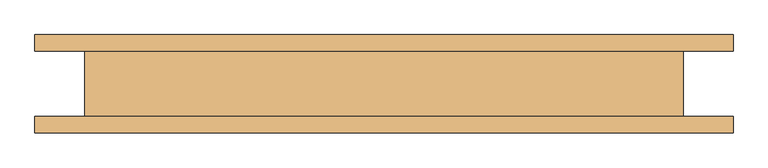
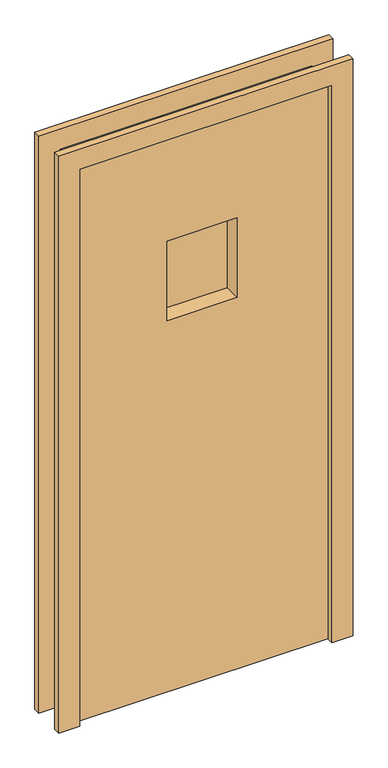
"""IFC4 building model written with IfcOpenShell, lengths in millimetres: door geometry."""

from ifc_helpers import new_model, si_unit, frame, origin, place, context, project, spatial, polyline, outline, extrude, source, transform, mapped, element, save


def door_dfa2b99c(model_context):
    return source(origin(), model_context, "Body", "SweptSolid", [
        extrude(outline(polyline([(2210.0, -533.5), (0.0, -533.5), (0.0, -457.5), (2134.0, -457.5), (2134.0, 457.5), (0.0, 457.5), (0.0, 533.5), (2210.0, 533.5), (2210.0, -533.5)])), frame((0.0, 50.4, 0.0), z_axis=(0.0, 1.0, 0.0), x_axis=(0.0, 0.0, 1.0)), (0.0, 0.0, 1.0), 25.0),
        extrude(outline(polyline([(2134.0, 457.5), (0.0, 457.5), (0.0, 533.5), (2210.0, 533.5), (2210.0, -533.5), (0.0, -533.5), (0.0, -457.5), (2134.0, -457.5), (2134.0, 457.5)])), frame((0.0, -75.0, 0.0), z_axis=(0.0, 1.0, 0.0), x_axis=(0.0, 0.0, 1.0)), (0.0, 0.0, 1.0), 25.0),
        extrude(outline(polyline([(127.0, 11.9), (-127.0, 11.9), (-127.0, 18.25), (127.0, 18.25), (127.0, 11.9)])), frame((0.0, 0.0, 1422.4), z_axis=(0.0, 0.0, 1.0), x_axis=(1.0, 0.0, 0.0)), (0.0, 0.0, 1.0), 304.8),
        extrude(outline(polyline([(127.0, 30.95), (-127.0, 30.95), (-127.0, 37.3), (127.0, 37.3), (127.0, 30.95)])), frame((0.0, 0.0, 1422.4), z_axis=(0.0, 0.0, 1.0), x_axis=(1.0, 0.0, 0.0)), (0.0, 0.0, 1.0), 304.8),
        extrude(outline(polyline([(2134.0, -457.5), (0.0, -457.5), (0.0, 457.5), (2134.0, 457.5), (2134.0, -457.5)]), holes=[polyline([(1727.2, -127.0), (1727.2, 127.0), (1422.4, 127.0), (1422.4, -127.0), (1727.2, -127.0)])]), frame((0.0, -50.0, 0.0), z_axis=(0.0, 1.0, 0.0), x_axis=(0.0, 0.0, 1.0)), (0.0, 0.0, 1.0), 100.0),
    ])


if __name__ == "__main__":
    model = new_model("IFC4")
    model_context = context("Model", 3, world=origin())
    ifc_project = project(units=[si_unit("LENGTHUNIT", "METRE", prefix="MILLI")], contexts=[model_context])
    site = spatial("IfcSite", under=ifc_project)
    building = spatial("IfcBuilding", under=site)
    placement = place(None, origin())
    door_shape = door_dfa2b99c(model_context)
    element("IfcDoor", 1, at=placement, inside=building, context=model_context, shape_type="MappedRepresentation", body=[
        mapped(door_shape, transform((0.0, 0.0, 0.0), x_axis=(1.0, 0.0, 0.0), y_axis=(0.0, 1.0, 0.0), z_axis=(0.0, 0.0, 1.0))),
    ])
    save(model, "model.ifc")
